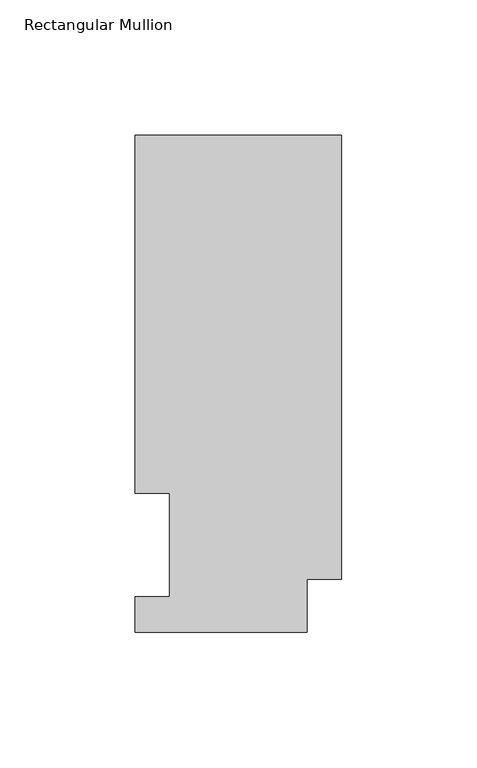
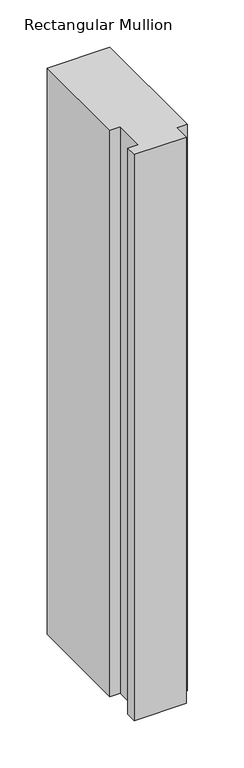
"""IFC4 building model written with IfcOpenShell, lengths in millimetres: member geometry, Rectangular Mullion."""

from ifc_helpers import new_model, si_unit, frame, origin, place, context, project, spatial, polyline, outline, extrude, source, transform, mapped, element, save


def rectangular_mullion_48b37e26(model_context):
    return source(origin(), model_context, "Body", "SweptSolid", [
        extrude(outline(polyline([(-63.5, 89.5945313), (-63.5, 221.7507313), (12.7, 221.7507312), (12.7, 57.8445313), (1e-07, 57.8445313), (1e-07, 38.3119313), (-63.4999999, 38.3119313), (-63.4999999, 51.4945313), (-50.8, 51.4945313), (-50.8, 89.5945313), (-63.5, 89.5945313)])), frame((0.0, 0.0, -730.25), z_axis=(0.0, 0.0, 1.0), x_axis=(1.0, 0.0, 0.0)), (0.0, 0.0, 1.0), 730.25),
    ])


if __name__ == "__main__":
    model = new_model("IFC4")
    model_context = context("Model", 3, world=origin())
    ifc_project = project(units=[si_unit("LENGTHUNIT", "METRE", prefix="MILLI")], contexts=[model_context])
    site = spatial("IfcSite", under=ifc_project)
    building = spatial("IfcBuilding", under=site)
    placement = place(None, origin())
    rectangular_mullion_shape = rectangular_mullion_48b37e26(model_context)
    element("IfcMember", 1, ObjectType="Rectangular Mullion", at=placement, inside=building, context=model_context, shape_type="MappedRepresentation", body=[
        mapped(rectangular_mullion_shape, transform((0.0, 0.0, 0.0), x_axis=(1.0, 0.0, 0.0), y_axis=(0.0, 1.0, 0.0), z_axis=(0.0, 0.0, 1.0))),
    ])
    save(model, "model.ifc")
